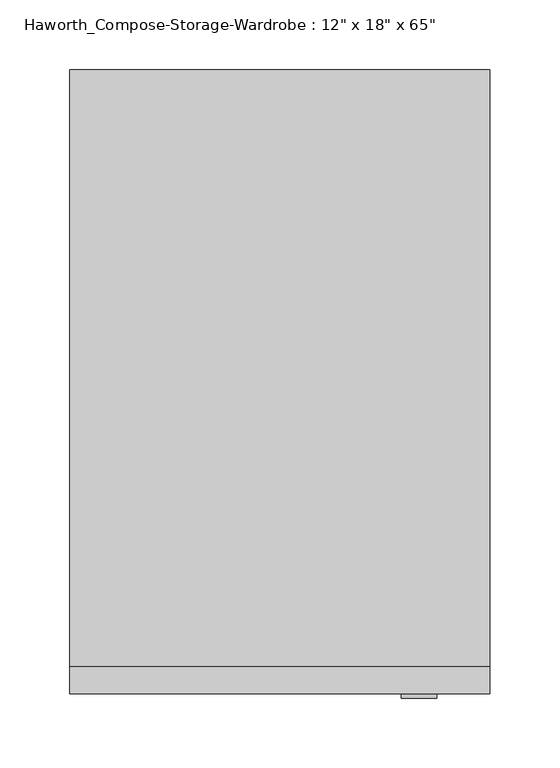
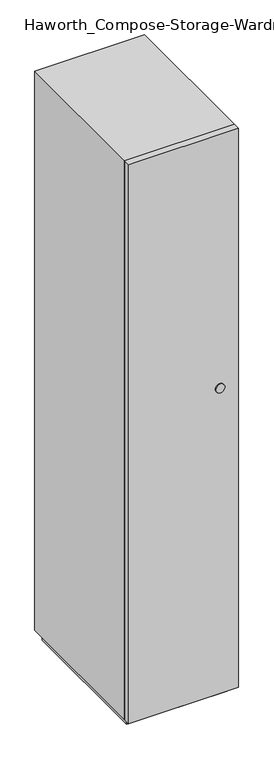
"""IFC4 building model written with IfcOpenShell, lengths in millimetres: furniture geometry."""

from ifc_helpers import new_model, si_unit, point, frame, frame_2d, origin, origin_with_axes, place, context, project, spatial, polyline, circle_curve, trimmed, segment, composite_curve, outline, extrude, faceted_brep, source, transform, mapped, element, save


def furniture_1f3ce4a7(model_context):
    return source(origin(), model_context, "Body", "SolidModel", [
        extrude(outline(polyline([(150.8263906, -233.3625), (-150.7986094, -233.3625), (-150.7986094, -214.3125), (150.8263906, -214.3125), (150.8263906, -233.3625)])), frame((0.0, 0.0, 25.4), z_axis=(0.0, 0.0, 1.0), x_axis=(1.0, 0.0, 0.0)), (0.0, 0.0, 1.0), 1625.6),
        faceted_brep([(-150.7986094, -214.3125, 25.4), (150.8125, -214.3125, 25.4), (150.8125, -214.3125, 1651.0), (-150.7986094, -214.3125, 1651.0), (-131.7486094, -214.3125, 44.45), (-131.7486094, -214.3125, 1631.95), (131.7486094, -214.3125, 1631.95), (131.7486094, -214.3125, 44.45), (-150.7986094, 214.3125, 25.4), (-150.7986094, 214.3125, 1651.0), (150.8125, 214.3125, 1651.0), (150.8125, 214.3125, 25.4), (-131.7486094, 195.2625, 44.45), (-131.7486094, 195.2625, 1631.95), (131.7486094, 195.2625, 1631.95), (131.7486094, 195.2625, 44.45)], [[[0, 1, 2, 3], [4, 5, 6, 7]], [[8, 9, 10, 11]], [[1, 0, 8, 11]], [[2, 1, 11, 10]], [[3, 2, 10, 9]], [[0, 3, 9, 8]], [[5, 4, 12, 13]], [[6, 5, 13, 14]], [[7, 6, 14, 15]], [[4, 7, 15, 12]], [[13, 12, 15, 14]]]),
        extrude(outline(polyline([(138.1263906, -201.6125), (-138.0986094, -201.6125), (-138.0986094, 201.6125), (138.1263906, 201.6125), (138.1263906, -201.6125)])), origin_with_axes(), (0.0, 0.0, 1.0), 25.4),
        extrude(outline(composite_curve([segment(trimmed(circle_curve(frame_2d((914.4, 100.0263906)), 12.7), [point((914.4, 112.7263906))], [point((914.4, 87.3263906))], False, "CARTESIAN"), True, "CONTINUOUS"), segment(trimmed(circle_curve(frame_2d((914.4, 100.0263906)), 12.7), [point((914.4, 87.3263906))], [point((914.4, 112.7263906))], False, "CARTESIAN"), True, "CONTINUOUS")], self_intersect=False)), frame((0.0, -236.5375, 0.0), z_axis=(0.0, 1.0, 0.0), x_axis=(0.0, 0.0, 1.0)), (0.0, 0.0, 1.0), 3.175),
    ])


if __name__ == "__main__":
    model = new_model("IFC4")
    model_context = context("Model", 3, world=origin())
    ifc_project = project(units=[si_unit("LENGTHUNIT", "METRE", prefix="MILLI")], contexts=[model_context])
    site = spatial("IfcSite", under=ifc_project)
    building = spatial("IfcBuilding", under=site)
    placement = place(None, origin())
    furniture_shape = furniture_1f3ce4a7(model_context)
    element("IfcFurniture", 1, ObjectType="Haworth_Compose-Storage-Wardrobe : 12\" x 18\" x 65\"", at=placement, inside=building, context=model_context, shape_type="MappedRepresentation", body=[
        mapped(furniture_shape, transform((0.0, 0.0, 0.0), x_axis=(1.0, 0.0, 0.0), y_axis=(0.0, 1.0, 0.0), z_axis=(0.0, 0.0, 1.0))),
    ])
    save(model, "model.ifc")
